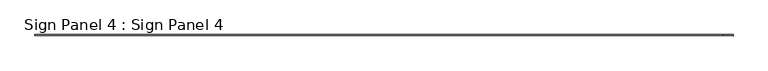
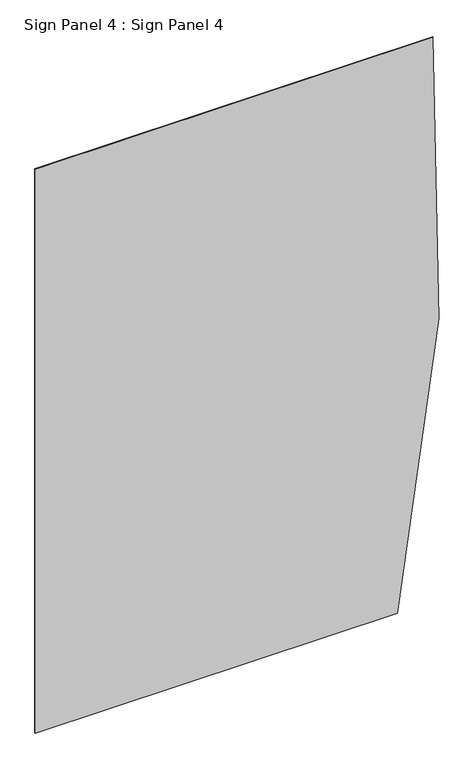
"""IFC4 building model written with IfcOpenShell, lengths in millimetres: geographic element geometry, Sign Panel 4 : Sign Panel 4."""

from ifc_helpers import new_model, si_unit, point, frame, frame_2d, origin, place, context, project, spatial, polyline, circle_curve, trimmed, segment, composite_curve, outline, extrude, source, transform, mapped, element, save


def sign_panel_4_sign_panel_4_e56ba93f(model_context):
    return source(origin(), model_context, "Body", "SweptSolid", [
        extrude(outline(composite_curve([segment(polyline([(2201.1592564, 230170.8571715), (2201.1592564, 229153.2228488), (677.1592564, 229153.2228488), (677.1592564, 230079.9166596)]), True, "CONTINUOUS"), segment(trimmed(circle_curve(frame_2d((1721.9640535, 225386.0853488)), 4808.7076682), [point((677.1592564, 230079.9166596))], [point((2201.1592564, 230170.8571715))], False, "CARTESIAN"), True, "CONTINUOUS")], self_intersect=False)), frame((0.0, 158622.1721581, 0.0), z_axis=(0.0, 1.0, 0.0), x_axis=(0.0, 0.0, 1.0)), (0.0, 0.0, 1.0), 1.5875),
    ])


if __name__ == "__main__":
    model = new_model("IFC4")
    model_context = context("Model", 3, world=origin())
    ifc_project = project(units=[si_unit("LENGTHUNIT", "METRE", prefix="MILLI")], contexts=[model_context])
    site = spatial("IfcSite", under=ifc_project)
    building = spatial("IfcBuilding", under=site)
    placement = place(None, origin())
    sign_panel_4_sign_panel_4_shape = sign_panel_4_sign_panel_4_e56ba93f(model_context)
    element("IfcGeographicElement", 1, ObjectType="Sign Panel 4 : Sign Panel 4", at=placement, inside=building, context=model_context, shape_type="MappedRepresentation", body=[
        mapped(sign_panel_4_sign_panel_4_shape, transform((0.0, 0.0, 0.0), x_axis=(1.0, 0.0, 0.0), y_axis=(0.0, 1.0, 0.0), z_axis=(0.0, 0.0, 1.0))),
    ])
    save(model, "model.ifc")
